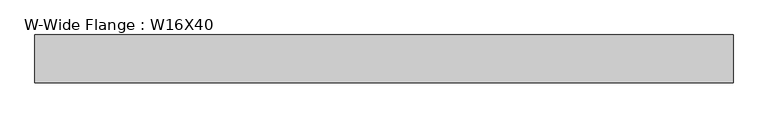
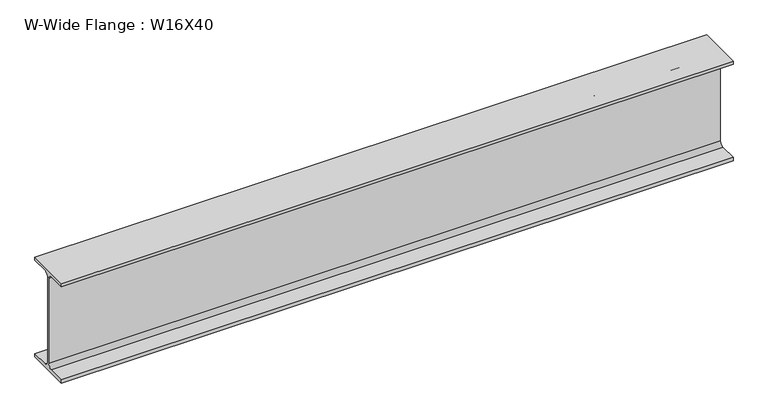
"""IFC4 building model written with IfcOpenShell, lengths in millimetres: beam geometry, W-Wide Flange : W16X40."""

from ifc_helpers import new_model, si_unit, point, frame, frame_2d, origin, place, context, project, spatial, polyline, circle_curve, trimmed, segment, composite_curve, outline, extrude, source, transform, mapped, element, save


def w_wide_flange_w16x40_f47088ad(model_context):
    return source(origin(), model_context, "Body", "SweptSolid", [
        extrude(outline(composite_curve([segment(polyline([(88.9, -190.4), (88.9, -203.2), (-88.9, -203.2), (-88.9, -190.4), (-21.25, -190.4)]), True, "CONTINUOUS"), segment(trimmed(circle_curve(frame_2d((-21.25, -173.0)), 17.4), [point((-21.25, -190.4))], [point((-3.85, -173.0))], True, "CARTESIAN"), True, "CONTINUOUS"), segment(polyline([(-3.85, -173.0), (-3.85, 173.0)]), True, "CONTINUOUS"), segment(trimmed(circle_curve(frame_2d((-21.25, 173.0)), 17.4), [point((-3.85, 173.0))], [point((-21.25, 190.4))], True, "CARTESIAN"), True, "CONTINUOUS"), segment(polyline([(-21.25, 190.4), (-88.9, 190.4), (-88.9, 203.2), (88.9, 203.2), (88.9, 190.4), (21.25, 190.4)]), True, "CONTINUOUS"), segment(trimmed(circle_curve(frame_2d((21.25, 173.0)), 17.4), [point((21.25, 190.4))], [point((3.85, 173.0))], True, "CARTESIAN"), True, "CONTINUOUS"), segment(polyline([(3.85, 173.0), (3.85, -173.0)]), True, "CONTINUOUS"), segment(trimmed(circle_curve(frame_2d((21.25, -173.0)), 17.4), [point((3.85, -173.0))], [point((21.25, -190.4))], True, "CARTESIAN"), True, "CONTINUOUS"), segment(polyline([(21.25, -190.4), (88.9, -190.4)]), True, "CONTINUOUS")], self_intersect=False)), frame((-2447.7401772, 0.0, 0.0), z_axis=(1.0, 0.0, 0.0), x_axis=(0.0, 1.0, 0.0)), (0.0, 0.0, 1.0), 2598.674738),
    ])


if __name__ == "__main__":
    model = new_model("IFC4")
    model_context = context("Model", 3, world=origin())
    ifc_project = project(units=[si_unit("LENGTHUNIT", "METRE", prefix="MILLI")], contexts=[model_context])
    site = spatial("IfcSite", under=ifc_project)
    building = spatial("IfcBuilding", under=site)
    placement = place(None, origin())
    w_wide_flange_w16x40_shape = w_wide_flange_w16x40_f47088ad(model_context)
    element("IfcBeam", 1, ObjectType="W-Wide Flange : W16X40", at=placement, inside=building, context=model_context, shape_type="MappedRepresentation", body=[
        mapped(w_wide_flange_w16x40_shape, transform((0.0, 0.0, 0.0), x_axis=(1.0, 0.0, 0.0), y_axis=(0.0, 1.0, 0.0), z_axis=(0.0, 0.0, 1.0))),
    ])
    save(model, "model.ifc")
